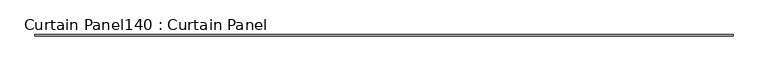
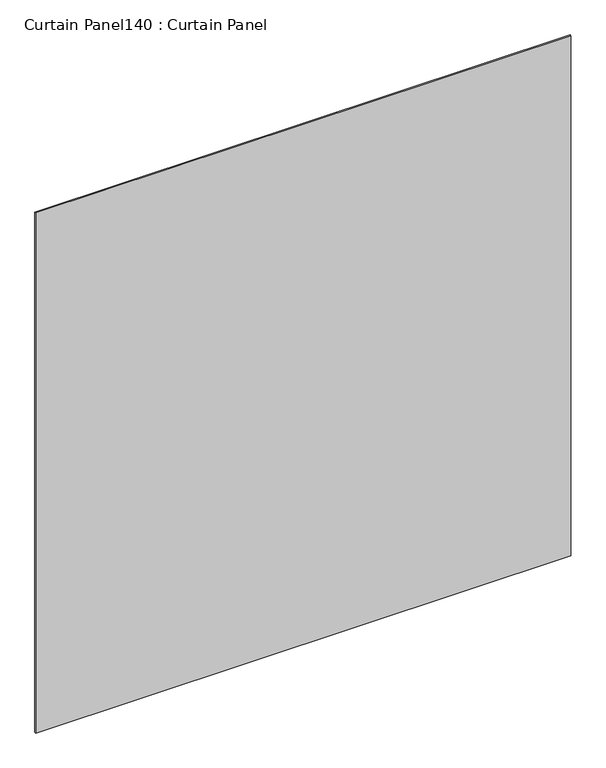
"""IFC4 building model written with IfcOpenShell, lengths in millimetres: plate geometry, Curtain Panel140 : Curtain Panel."""

from ifc_helpers import new_model, si_unit, frame, origin, place, context, project, spatial, polyline, outline, extrude, source, transform, mapped, element, save


def curtain_panel140_curtain_panel_e4dcfdfa(model_context):
    return source(origin(), model_context, "Body", "SweptSolid", [
        extrude(outline(polyline([(344416.6925793, 2078.843529), (341451.6550917, 2078.843529), (341451.6550917, 2085.193529), (344416.6925793, 2085.193529), (344416.6925793, 2078.843529)])), frame((0.0, 0.0, 5632.7163816), z_axis=(0.0, 0.0, 1.0), x_axis=(1.0, 0.0, 0.0)), (0.0, 0.0, 1.0), 3048.0),
    ])


if __name__ == "__main__":
    model = new_model("IFC4")
    model_context = context("Model", 3, world=origin())
    ifc_project = project(units=[si_unit("LENGTHUNIT", "METRE", prefix="MILLI")], contexts=[model_context])
    site = spatial("IfcSite", under=ifc_project)
    building = spatial("IfcBuilding", under=site)
    placement = place(None, origin())
    curtain_panel140_curtain_panel_shape = curtain_panel140_curtain_panel_e4dcfdfa(model_context)
    element("IfcPlate", 1, ObjectType="Curtain Panel140 : Curtain Panel", at=placement, inside=building, context=model_context, shape_type="MappedRepresentation", body=[
        mapped(curtain_panel140_curtain_panel_shape, transform((0.0, 0.0, 0.0), x_axis=(1.0, 0.0, 0.0), y_axis=(0.0, 1.0, 0.0), z_axis=(0.0, 0.0, 1.0))),
    ])
    save(model, "model.ifc")
